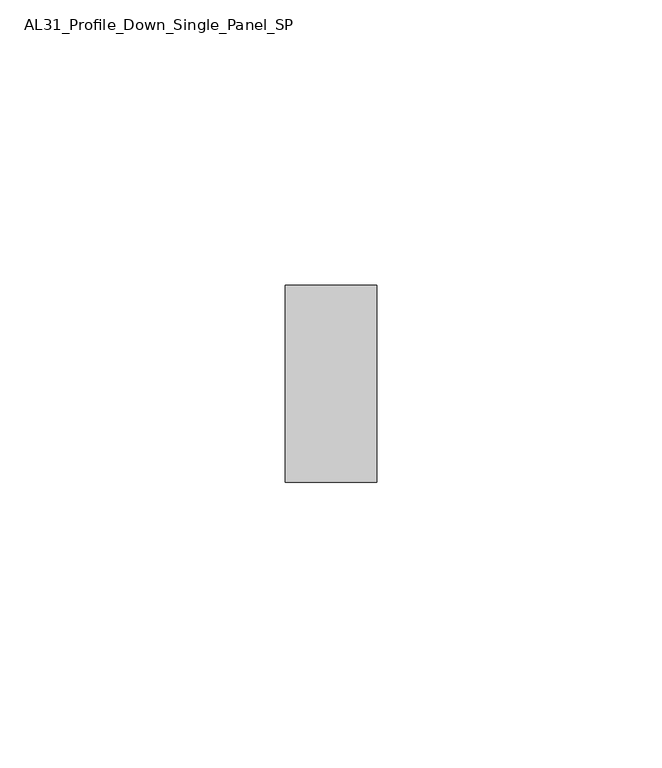
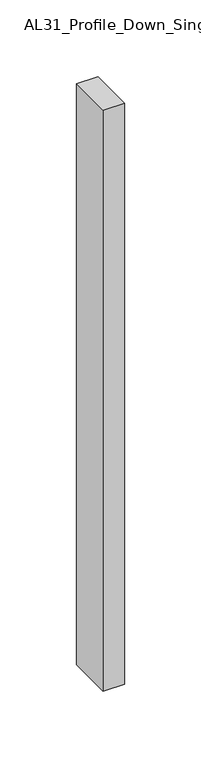
"""IFC4 building model written with IfcOpenShell, lengths in millimetres: member geometry, AL31_Profile_Down_Single_Panel_SP."""

from ifc_helpers import new_model, si_unit, frame, origin, place, context, project, spatial, polyline, outline, extrude, source, transform, mapped, element, save


def al31_profile_down_single_panel_sp_e911e67c(model_context):
    return source(origin(), model_context, "Body", "SweptSolid", [
        extrude(outline(polyline([(0.0, -17.25), (-16.0, -17.25), (-16.0, 17.25), (0.0, 17.25), (0.0, -17.25)])), frame((0.0, 0.0, -462.1620087), z_axis=(0.0, 0.0, 1.0), x_axis=(1.0, 0.0, 0.0)), (0.0, 0.0, 1.0), 462.1620087),
    ])


if __name__ == "__main__":
    model = new_model("IFC4")
    model_context = context("Model", 3, world=origin())
    ifc_project = project(units=[si_unit("LENGTHUNIT", "METRE", prefix="MILLI")], contexts=[model_context])
    site = spatial("IfcSite", under=ifc_project)
    building = spatial("IfcBuilding", under=site)
    placement = place(None, origin())
    al31_profile_down_single_panel_sp_shape = al31_profile_down_single_panel_sp_e911e67c(model_context)
    element("IfcMember", 1, ObjectType="AL31_Profile_Down_Single_Panel_SP", at=placement, inside=building, context=model_context, shape_type="MappedRepresentation", body=[
        mapped(al31_profile_down_single_panel_sp_shape, transform((0.0, 0.0, 0.0), x_axis=(1.0, 0.0, 0.0), y_axis=(0.0, 1.0, 0.0), z_axis=(0.0, 0.0, 1.0))),
    ])
    save(model, "model.ifc")
